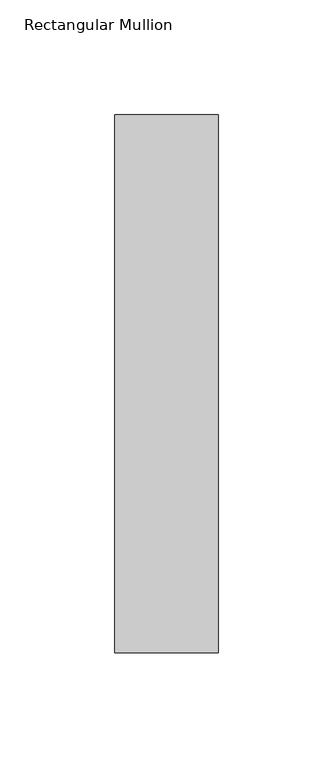
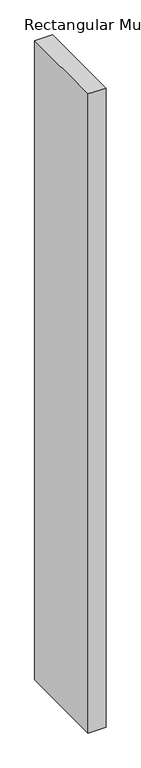
"""IFC4 building model written with IfcOpenShell, lengths in millimetres: member geometry, Rectangular Mullion."""

from ifc_helpers import new_model, si_unit, frame, origin, place, context, project, spatial, polyline, outline, extrude, source, transform, mapped, element, save


def rectangular_mullion_d993792f(model_context):
    return source(origin(), model_context, "Body", "SweptSolid", [
        extrude(outline(polyline([(22.5, 182.60625), (22.5, -51.60625), (-22.5, -51.60625), (-22.5, 182.60625), (22.5, 182.60625)])), frame((0.0, 0.0, -1708.8912252), z_axis=(0.0, 0.0, 1.0), x_axis=(1.0, 0.0, 0.0)), (0.0, 0.0, 1.0), 1708.8912252),
    ])


if __name__ == "__main__":
    model = new_model("IFC4")
    model_context = context("Model", 3, world=origin())
    ifc_project = project(units=[si_unit("LENGTHUNIT", "METRE", prefix="MILLI")], contexts=[model_context])
    site = spatial("IfcSite", under=ifc_project)
    building = spatial("IfcBuilding", under=site)
    placement = place(None, origin())
    rectangular_mullion_shape = rectangular_mullion_d993792f(model_context)
    element("IfcMember", 1, ObjectType="Rectangular Mullion", at=placement, inside=building, context=model_context, shape_type="MappedRepresentation", body=[
        mapped(rectangular_mullion_shape, transform((0.0, 0.0, 0.0), x_axis=(1.0, 0.0, 0.0), y_axis=(0.0, 1.0, 0.0), z_axis=(0.0, 0.0, 1.0))),
    ])
    save(model, "model.ifc")
